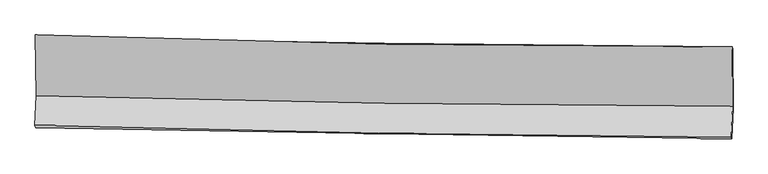
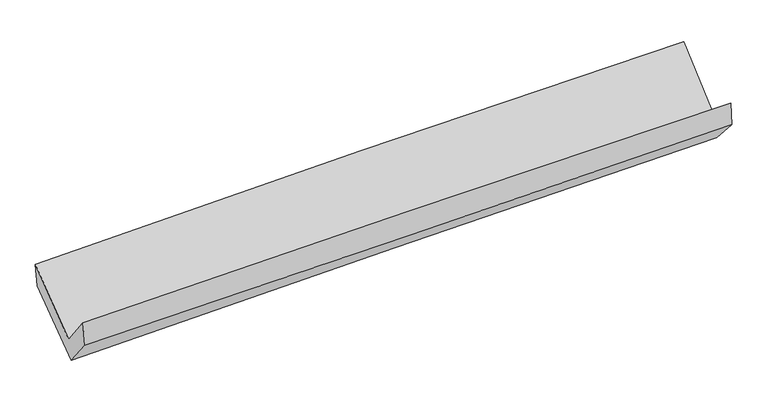
"""IFC4 building model written with IfcOpenShell, lengths in millimetres: proxy geometry."""

from ifc_helpers import new_model, si_unit, frame, origin, place, context, project, spatial, source, transform, mapped, element, save
from ifc_brep_helpers import plane_surface, spline_curve, spline_surface, advanced_brep


def generic_models_75eea4d1(model_context):
    return source(origin(), model_context, "Body", "AdvancedBrep", [
        advanced_brep(
        [(-2983.1818479, -1157.6184096, 2161.8013761), (-2975.8600055, -1676.8217385, 1741.6071678), (2968.0394236, -1768.483686, 1870.8372655), (2964.7286725, -1260.6504166, 2329.4443178), (-2987.619385, -1929.1299884, 2058.7788858), (2956.0254302, -2029.9223855, 2193.6686513), (-2981.6058732, -1950.8594998, 1846.9388431), (2960.8675203, -2042.7619699, 1988.2032499), (-2970.8011557, -1715.7360733, 1556.6022489), (2972.0288905, -1782.7754061, 1699.1845513), (-2977.3890131, -1175.6335312, 1958.6957847), (2970.1304498, -1277.1179664, 2098.8629937)],
        [
            (0, 1),
            (1, 2, spline_curve(3, [(-2975.8600055, -1676.8217385, 1741.6071678), (-1985.94597007, -1703.308534793, 1781.65913255), (-995.701359009, -1724.190275243, 1812.4541758), (985.59835129, -1754.74594782, 1855.533666217), (1976.653549506, -1764.418189818, 1867.81532227), (2968.0394236, -1768.483686, 1870.8372655)], [4, 2, 4], [0.0, 9.758496193800712, 19.518463546626535])),
            (2, 3),
            (3, 0, spline_curve(3, [(2964.7286725, -1260.6504166, 2329.4443178), (1972.425514707, -1262.332384632, 2329.285227079), (980.577400692, -1254.586010305, 2315.233336575), (-1002.059302239, -1220.239165709, 2259.34816804), (-1992.848028637, -1193.641537886, 2217.519077984), (-2983.1818479, -1157.6184096, 2161.8013761)], [4, 2, 4], [0.0, 9.759967352825823, 19.518463546626535])),
            (1, 4),
            (4, 5, spline_curve(3, [(-2987.619385, -1929.1299884, 2058.7788858), (-1997.736299588, -1958.085122237, 2099.071463326), (-1007.528378984, -1980.961880686, 2130.458390021), (973.686461269, -2014.561178983, 2175.424330383), (1964.693479213, -2025.281886444, 2189.000658942), (2956.0254302, -2029.9223855, 2193.6686513)], [4, 2, 4], [0.0, 9.753808511112751, 19.509087474550878])),
            (5, 2),
            (4, 6),
            (6, 7, spline_curve(3, [(-2981.6058732, -1950.8594998, 1846.9388431), (-1991.353473865, -1968.506584931, 1870.482671883), (-1001.058486554, -1984.988177441, 1894.025732678), (979.765965413, -2015.622685364, 1941.113868681), (1970.295442146, -2029.775249661, 1964.658943236), (2960.8675203, -2042.7619699, 1988.2032499)], [4, 2, 4], [0.0, 9.752452445658502, 19.50637513920638])),
            (7, 5),
            (6, 8),
            (8, 9, spline_curve(3, [(-2970.8011557, -1715.7360733, 1556.6022489), (-1980.710043275, -1727.299993011, 1588.635939851), (-990.465988896, -1738.6681573, 1616.534060019), (990.477313914, -1761.014660816, 1664.062741345), (1981.176608162, -1771.992940485, 1683.692055246), (2972.0288905, -1782.7754061, 1699.1845513)], [4, 2, 4], [0.0, 9.751388225889295, 19.50424653922967])),
            (9, 7),
            (8, 10),
            (10, 11, spline_curve(3, [(-2977.3890131, -1175.6335312, 1958.6957847), (-1986.219468544, -1195.26784851, 1983.754999693), (-995.045431411, -1213.541508318, 2007.964391797), (987.46105505, -1247.370063832, 2054.687050816), (1978.793505565, -1262.924548901, 2077.200061868), (2970.1304498, -1277.1179664, 2098.8629937)], [4, 2, 4], [0.0, 9.755624080507868, 19.512718887050426])),
            (11, 9),
            (10, 0),
            (3, 11),
        ],
        [
            spline_surface(3, 3, [[(-2983.1818479, -1157.6184096, 2161.8013761), (-1992.848028541, -1193.641537811, 2217.519078064), (-1002.05930225, -1220.239165778, 2259.348168073), (980.577400704, -1254.586010236, 2315.233336542), (1972.425514563, -1262.332384612, 2329.285227133), (2964.7286725, -1260.6504166, 2329.4443178)], [(-2980.741233777, -1330.686185916, 2021.736640014), (-1990.547342407, -1363.530536784, 2072.232429546), (-999.93998779, -1388.222868904, 2110.383503942), (982.251050852, -1421.305989411, 2162.000113094), (1973.834859576, -1429.694319682, 2175.461925518), (2965.832256196, -1429.928173063, 2176.57530038)], [(-2978.300619623, -1503.753962184, 1881.671903886), (-1988.246656241, -1533.419535709, 1926.945780987), (-997.820673329, -1556.206572103, 1961.418839882), (983.924701001, -1588.025968659, 2008.766889714), (1975.244204601, -1597.056254762, 2021.638623863), (2966.935839904, -1599.205929537, 2023.70628292)], [(-2975.8600055, -1676.8217385, 1741.6071678), (-1985.945970106, -1703.308534682, 1781.659132468), (-995.701358869, -1724.19027523, 1812.454175751), (985.59835115, -1754.745947833, 1855.533666265), (1976.653549615, -1764.418189833, 1867.815322248), (2968.0394236, -1768.483686, 1870.8372655)]], [4, 4], [4, 2, 4], [0.0, 2.2192904876922825], [0.0, 9.758496193800712, 19.518463546626535]),
            spline_surface(3, 3, [[(-2975.8600055, -1676.8217385, 1741.6071678), (-1985.945970106, -1703.308534682, 1781.659132468), (-995.701358869, -1724.19027523, 1812.454175751), (985.59835115, -1754.745947833, 1855.533666265), (1976.653549615, -1764.418189833, 1867.815322248), (2968.0394236, -1768.483686, 1870.8372655)], [(-2979.779798678, -1760.924488443, 1847.331073782), (-1989.87607993, -1788.234063828, 1887.463242752), (-999.643698945, -1809.780810356, 1918.455580504), (981.62772122, -1841.351024943, 1962.16388769), (1972.666859509, -1851.372755373, 1974.877101182), (2964.034759133, -1855.629919172, 1978.447727419)], [(-2983.699591822, -1845.027238457, 1953.054979818), (-1993.80618972, -1873.159593044, 1993.267353089), (-1003.586039011, -1895.371345431, 2024.456985184), (977.657091302, -1927.956102002, 2068.794109042), (1968.680169403, -1938.327320896, 2081.938880161), (2960.030094667, -1942.776152328, 2086.058189381)], [(-2987.619385, -1929.1299884, 2058.7788858), (-1997.736299544, -1958.08512219, 2099.071463372), (-1007.528379088, -1980.961880557, 2130.458389937), (973.686461372, -2014.561179112, 2175.424330467), (1964.693479297, -2025.281886436, 2189.000659095), (2956.0254302, -2029.9223855, 2193.6686513)]], [4, 4], [4, 2, 4], [0.0, 1.3470796697551544], [0.0, 9.753808511112751, 19.509087474550878]),
            spline_surface(3, 3, [[(-2987.619385, -1929.1299884, 2058.7788858), (-1997.736299544, -1958.08512219, 2099.071463372), (-1007.528379088, -1980.961880557, 2130.458389937), (973.686461372, -2014.561179112, 2175.424330467), (1964.693479297, -2025.281886436, 2189.000659095), (2956.0254302, -2029.9223855, 2193.6686513)], [(-2985.614881063, -1936.373158862, 1988.165538222), (-1995.608691007, -1961.558943114, 2022.875199504), (-1005.371748198, -1982.303979469, 2051.647504204), (975.712962664, -2014.915014562, 2097.320843177), (1966.560800268, -2026.77967424, 2114.220087159), (2957.639460235, -2034.202246988, 2125.180184194)], [(-2983.610377137, -1943.616329338, 1917.552190678), (-1993.481082481, -1965.032764053, 1946.678935669), (-1003.215117292, -1983.646078406, 1972.836618484), (977.739463971, -2015.268850038, 2019.217355898), (1968.428121236, -2028.27746198, 2039.439515143), (2959.253490265, -2038.482108412, 2056.691717006)], [(-2981.6058732, -1950.8594998, 1846.9388431), (-1991.353473944, -1968.506584977, 1870.482671801), (-1001.058486403, -1984.988177318, 1894.025732751), (979.765965262, -2015.622685487, 1941.113868608), (1970.295442208, -2029.775249784, 1964.658943207), (2960.8675203, -2042.7619699, 1988.2032499)]], [4, 4], [4, 2, 4], [0.0, 0.772535305318702], [0.0, 9.752452445658502, 19.50637513920638]),
            spline_surface(3, 3, [[(-2981.6058732, -1950.8594998, 1846.9388431), (-1991.353473944, -1968.506584977, 1870.482671801), (-1001.058486403, -1984.988177318, 1894.025732751), (979.765965262, -2015.622685487, 1941.113868608), (1970.295442208, -2029.775249784, 1964.658943207), (2960.8675203, -2042.7619699, 1988.2032499)], [(-2978.004300697, -1872.485024306, 1750.159978386), (-1987.805663741, -1888.104387617, 1776.533761189), (-997.52765385, -1902.881504009, 1801.528508533), (983.336414799, -1930.753343886, 1848.763492827), (1973.922497472, -1943.847813309, 1871.003313873), (2964.587977033, -1956.099781939, 1891.863683704)], [(-2974.402728203, -1794.110548794, 1653.381113614), (-1984.257853547, -1807.702190239, 1682.584850521), (-993.996821353, -1820.774830721, 1709.031284316), (986.906864281, -1845.884002305, 1756.413117047), (1977.549552737, -1857.920376917, 1777.347684525), (2968.308433767, -1869.437594061, 1795.524117496)], [(-2970.8011557, -1715.7360733, 1556.6022489), (-1980.710043344, -1727.299992879, 1588.635939909), (-990.465988801, -1738.668157412, 1616.534060098), (990.477313819, -1761.014660704, 1664.062741266), (1981.176608001, -1771.992940442, 1683.69205519), (2972.0288905, -1782.7754061, 1699.1845513)]], [4, 4], [4, 2, 4], [0.0, 1.2263734499571282], [0.0, 9.751388225889295, 19.50424653922967]),
            spline_surface(3, 3, [[(-2970.8011557, -1715.7360733, 1556.6022489), (-1980.710043344, -1727.299992879, 1588.635939909), (-990.465988801, -1738.668157412, 1616.534060098), (990.477313819, -1761.014660704, 1664.062741266), (1981.176608001, -1771.992940442, 1683.69205519), (2972.0288905, -1782.7754061, 1699.1845513)], [(-2972.99710816, -1535.701892596, 1690.633427507), (-1982.546518382, -1549.955944712, 1720.342293191), (-991.992469642, -1563.62594107, 1747.010837286), (989.471894194, -1589.799795058, 1794.270844479), (1980.382240475, -1602.303476582, 1814.86139078), (2971.396076925, -1614.222926225, 1832.410698755)], [(-2975.19306064, -1355.667711904, 1824.664606093), (-1984.382993439, -1372.611896559, 1852.048646452), (-993.518950474, -1388.583724726, 1877.487614497), (988.466474578, -1418.584929411, 1924.478947715), (1979.587872972, -1432.614012647, 1946.030726404), (2970.763263375, -1445.670446275, 1965.636846245)], [(-2977.3890131, -1175.6335312, 1958.6957847), (-1986.219468477, -1195.267848393, 1983.754999733), (-995.045431315, -1213.541508384, 2007.964391684), (987.461054954, -1247.370063765, 2054.687050928), (1978.793505446, -1262.924548787, 2077.200061994), (2970.1304498, -1277.1179664, 2098.8629937)]], [4, 4], [4, 2, 4], [0.0, 2.1329932580469864], [0.0, 9.755624080507868, 19.512718887050426]),
            spline_surface(3, 3, [[(-2977.3890131, -1175.6335312, 1958.6957847), (-1986.219468477, -1195.267848393, 1983.754999733), (-995.045431315, -1213.541508384, 2007.964391684), (987.461054954, -1247.370063765, 2054.687050928), (1978.793505446, -1262.924548787, 2077.200061994), (2970.1304498, -1277.1179664, 2098.8629937)], [(-2979.319958025, -1169.628490677, 2026.39764849), (-1988.42898849, -1194.725744876, 2061.676359166), (-997.3833883, -1215.774060871, 2091.758983824), (985.166503531, -1249.775379278, 2141.53581281), (1976.670841829, -1262.727160707, 2161.228450355), (2968.329857377, -1271.628783112, 2175.723435048)], [(-2981.250902975, -1163.623450123, 2094.09951231), (-1990.638508528, -1194.183641328, 2139.59771863), (-999.721345265, -1218.006613291, 2175.553575933), (982.871952127, -1252.180694723, 2228.38457466), (1974.54817818, -1262.529772691, 2245.256838771), (2966.529264923, -1266.139599888, 2252.583876452)], [(-2983.1818479, -1157.6184096, 2161.8013761), (-1992.848028541, -1193.641537811, 2217.519078064), (-1002.05930225, -1220.239165778, 2259.348168073), (980.577400704, -1254.586010236, 2315.233336542), (1972.425514563, -1262.332384612, 2329.285227133), (2964.7286725, -1260.6504166, 2329.4443178)]], [4, 4], [4, 2, 4], [0.0, 0.8404019379167781], [0.0, 9.761205594506555, 19.523882756498626]),
            plane_surface(frame((2965.3033978, -1693.6186384, 2030.0335049), z_axis=(0.9995766685553957, -0.015639001392128513, 0.02453375868377069), x_axis=(-0.002945405040170723, 0.784520660995394, 0.6200956837944444))),
            plane_surface(frame((-2979.4095467, -1600.9665401, 1887.4040511), z_axis=(-0.9995219655645702, 0.009670253090628793, -0.029365397308766753), x_axis=(0.02839830201517834, -0.08831580443126708, -0.9956876292946062))),
        ],
        [
            (0, [[1, 2, 3, 4]]),
            (1, [[5, 6, 7, -2]]),
            (2, [[8, 9, 10, -6]]),
            (3, [[11, 12, 13, -9]]),
            (4, [[14, 15, 16, -12]]),
            (5, [[17, -4, 18, -15]]),
            (6, [[-16, -18, -3, -7, -10, -13]]),
            (7, [[-17, -14, -11, -8, -5, -1]]),
        ],
    ),
    ])


if __name__ == "__main__":
    model = new_model("IFC4")
    model_context = context("Model", 3, world=origin())
    ifc_project = project(units=[si_unit("LENGTHUNIT", "METRE", prefix="MILLI")], contexts=[model_context])
    site = spatial("IfcSite", under=ifc_project)
    building = spatial("IfcBuilding", under=site)
    placement = place(None, origin())
    generic_models_shape = generic_models_75eea4d1(model_context)
    element("IfcBuildingElementProxy", 1, Name="Generic Models", at=placement, inside=building, context=model_context, shape_type="MappedRepresentation", body=[
        mapped(generic_models_shape, transform((0.0, 0.0, 0.0), x_axis=(1.0, 0.0, 0.0), y_axis=(0.0, 1.0, 0.0), z_axis=(0.0, 0.0, 1.0))),
    ])
    save(model, "model.ifc")
